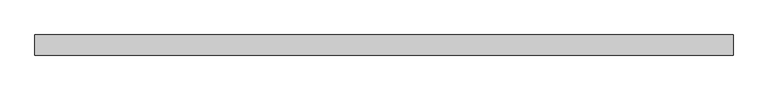
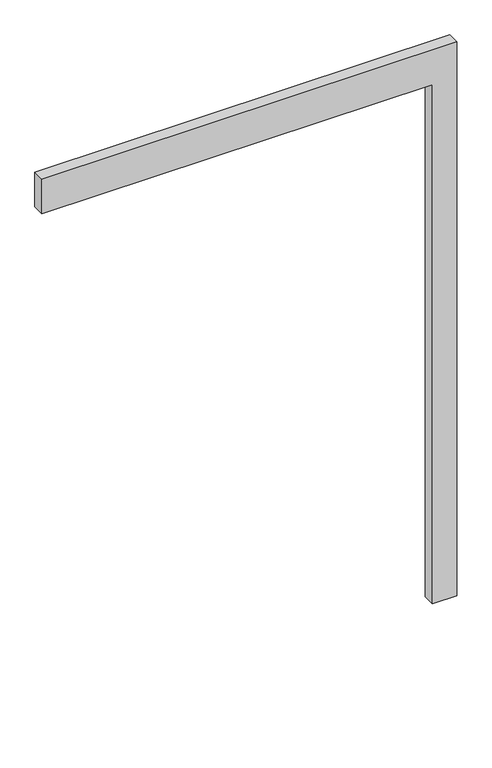
"""IFC4 building model written with IfcOpenShell, lengths in millimetres: proxy geometry."""

import ifcopenshell
import ifcopenshell.guid

model = None  # the IFC model being written
_history = None  # IfcOwnerHistory: only IFC2X3 demands one
_inside = {}  # id of a spatial element -> (the spatial element, [elements in it])
_under = {}  # id of a project, library or spatial element -> (it, [spatial elements below it])
_declared = {}  # id of a project -> (the project, [libraries it declares])
_typed = {}  # id of a type object -> (the type object, [elements of that type])
_made_of = {}  # id of a material, layer set ... -> (it, [elements and type objects made of it])


def new_model(schema):
    """Start an empty IFC model of exactly this schema.

    Asked for "IFC4X3", IfcOpenShell would pick the latest addendum, in which some entities
    have other attributes; the version numbers below select the first issue.
    IFC2X3 requires an IfcOwnerHistory on every rooted entity: one is made here for all.
    """
    global model, _history
    if schema == "IFC4X3":
        model = ifcopenshell.file(schema_version=(4, 3, 0, 0))
    else:
        model = ifcopenshell.file(schema=schema)
    _inside.clear()
    _under.clear()
    _declared.clear()
    _typed.clear()
    _made_of.clear()
    _history = None
    if model.schema == "IFC2X3":
        org = make("IfcOrganization", Name="unknown")
        user = make(
            "IfcPersonAndOrganization",
            ThePerson=make("IfcPerson", FamilyName="unknown"),
            TheOrganization=org,
        )
        app = make(
            "IfcApplication",
            ApplicationDeveloper=org,
            Version="unknown",
            ApplicationFullName="unknown",
            ApplicationIdentifier="unknown",
        )
        _history = make(
            "IfcOwnerHistory",
            OwningUser=user,
            OwningApplication=app,
            ChangeAction="ADDED",
            CreationDate=0,
        )
    return model


def make(cls, **values):
    """One entity of the class cls with the attributes given. An attribute that is None is left unset."""
    return model.create_entity(
        cls, **{name: value for name, value in values.items() if value is not None}
    )


def rooted(cls, **values):
    """An entity with a GlobalId (a new one), such as an element, a storey or a relation."""
    return make(cls, GlobalId=ifcopenshell.guid.new(), OwnerHistory=_history, **values)


def si_unit(unit_type, name, prefix=None):
    """IfcSIUnit, for example si_unit("LENGTHUNIT", "METRE", prefix="MILLI")."""
    return make("IfcSIUnit", UnitType=unit_type, Prefix=prefix, Name=name)


def assignment(units):
    """IfcUnitAssignment: the units of a project."""
    return None if units is None else make("IfcUnitAssignment", Units=units)


def point(xyz):
    """IfcCartesianPoint."""
    return None if xyz is None else make("IfcCartesianPoint", Coordinates=xyz)


def direction(xyz):
    """IfcDirection."""
    return None if xyz is None else make("IfcDirection", DirectionRatios=xyz)


def frame(location, z_axis=None, x_axis=None):
    """IfcAxis2Placement3D, a coordinate frame: its origin and axes. An axis left out is left unset."""
    return make(
        "IfcAxis2Placement3D",
        Location=point(location),
        Axis=direction(z_axis),
        RefDirection=direction(x_axis),
    )


def origin():
    """The frame at (0, 0, 0) with its axes left unset."""
    return frame((0.0, 0.0, 0.0))


def place(relative_to, where):
    """IfcLocalPlacement: puts the frame where relative to a parent placement (None: the world)."""
    return make(
        "IfcLocalPlacement", PlacementRelTo=relative_to, RelativePlacement=where
    )


def context(
    kind, dimensions, precision=None, world=None, true_north=None, identifier=None
):
    """IfcGeometricRepresentationContext, for example the 3D "Model" context."""
    return make(
        "IfcGeometricRepresentationContext",
        ContextIdentifier=identifier,
        ContextType=kind,
        CoordinateSpaceDimension=dimensions,
        Precision=precision,
        WorldCoordinateSystem=world,
        TrueNorth=true_north,
    )


def project(units=None, contexts=None):
    """IfcProject with its units and contexts."""
    return rooted(
        "IfcProject",
        Name="project",
        RepresentationContexts=contexts,
        UnitsInContext=assignment(units),
    )


def spatial(cls, under=None, at=None, **own):
    """A site, building, storey or space (cls), placed at a placement, below another one or the project."""
    s = rooted(cls, ObjectPlacement=at, **own)
    if under is not None:
        _under.setdefault(under.id(), (under, []))[1].append(s)
    return s


def polyline(points):
    """IfcPolyline through the points."""
    return make("IfcPolyline", Points=[point(p) for p in points])


def outline(outer, holes=None, kind="AREA"):
    """IfcArbitraryClosedProfileDef: a profile drawn as a closed curve; with holes, ...WithVoids."""
    if holes is None:
        return make("IfcArbitraryClosedProfileDef", ProfileType=kind, OuterCurve=outer)
    return make(
        "IfcArbitraryProfileDefWithVoids",
        ProfileType=kind,
        OuterCurve=outer,
        InnerCurves=holes,
    )


def extrude(swept, where, along, depth):
    """IfcExtrudedAreaSolid: the profile swept, set in the frame where, extruded along a direction by depth."""
    return make(
        "IfcExtrudedAreaSolid",
        SweptArea=swept,
        Position=where,
        ExtrudedDirection=direction(along),
        Depth=depth,
    )


def shape(context_of_items, identifier, shape_type, items):
    """IfcShapeRepresentation: the items that make up one representation, for example the "Body"."""
    return make(
        "IfcShapeRepresentation",
        ContextOfItems=context_of_items,
        RepresentationIdentifier=identifier,
        RepresentationType=shape_type,
        Items=items,
    )


def source(mapping_origin, context_of_items, identifier, shape_type, items):
    """IfcRepresentationMap: a shape defined once, which mapped items show again and again."""
    return make(
        "IfcRepresentationMap",
        MappingOrigin=mapping_origin,
        MappedRepresentation=shape(context_of_items, identifier, shape_type, items),
    )


def transform(
    local_origin,
    x_axis=None,
    y_axis=None,
    z_axis=None,
    scale=None,
    scale2=None,
    scale3=None,
    uniform=True,
):
    """IfcCartesianTransformationOperator3D, or its non-uniform kind. x_axis, y_axis, z_axis: its Axis1, 2, 3."""
    if uniform:
        return make(
            "IfcCartesianTransformationOperator3D",
            Axis1=direction(x_axis),
            Axis2=direction(y_axis),
            LocalOrigin=point(local_origin),
            Scale=scale,
            Axis3=direction(z_axis),
        )
    return make(
        "IfcCartesianTransformationOperator3DnonUniform",
        Axis1=direction(x_axis),
        Axis2=direction(y_axis),
        LocalOrigin=point(local_origin),
        Scale=scale,
        Axis3=direction(z_axis),
        Scale2=scale2,
        Scale3=scale3,
    )


def mapped(mapping_source, mapping_target):
    """IfcMappedItem: shows the shape of a source again, moved by a transform."""
    return make(
        "IfcMappedItem", MappingSource=mapping_source, MappingTarget=mapping_target
    )


def made_of(thing, what):
    """Note that an element or type object is made of a material, layer set ...; save() writes the relation."""
    if what is not None:
        _made_of.setdefault(what.id(), (what, []))[1].append(thing)
    return thing


def element(
    cls,
    number,
    at=None,
    inside=None,
    cuts=None,
    type_object=None,
    material=None,
    context=None,
    identifier="Body",
    shape_type=None,
    held_by="IfcProductDefinitionShape",
    body=None,
    shapes=None,
    **own,
):
    """One element of the class cls, such as IfcWall. Its Tag is "e" and its number.

    at: its placement. inside: the storey or other place that contains it. cuts: it is an
    opening in that element (IfcRelVoidsElement). A single representation is given by context,
    identifier, shape_type and body (its items); several are given by shapes. held_by: the class
    of the entity that holds the representations. save() writes the other relations.
    """
    e = rooted(cls, Tag="e%d" % number, ObjectPlacement=at, **own)
    if body is not None:
        shapes = [shape(context, identifier, shape_type, body)]
    if shapes is not None:
        e.Representation = make(held_by, Representations=shapes)
    if inside is not None:
        _inside.setdefault(inside.id(), (inside, []))[1].append(e)
    if cuts is not None:
        rooted(
            "IfcRelVoidsElement", RelatingBuildingElement=cuts, RelatedOpeningElement=e
        )
    if type_object is not None:
        _typed.setdefault(type_object.id(), (type_object, []))[1].append(e)
    return made_of(e, material)


def aggregate(whole, parts):
    """IfcRelAggregates: a whole, such as a stair, and the parts it consists of."""
    return rooted("IfcRelAggregates", RelatingObject=whole, RelatedObjects=parts)


def save(model, path):
    """Write the relations noted so far, then the file.

    IfcRelAggregates (storeys below a building ...), IfcRelContainedInSpatialStructure (elements
    in a storey), IfcRelDefinesByType, IfcRelAssociatesMaterial and IfcRelDeclares: one each for
    every whole, place, type object, material and project.
    """
    for whole, parts in _under.values():
        aggregate(whole, parts)
    for where, things in _inside.values():
        rooted(
            "IfcRelContainedInSpatialStructure",
            RelatedElements=things,
            RelatingStructure=where,
        )
    for kind, things in _typed.values():
        rooted("IfcRelDefinesByType", RelatedObjects=things, RelatingType=kind)
    for what, things in _made_of.values():
        rooted("IfcRelAssociatesMaterial", RelatedObjects=things, RelatingMaterial=what)
    for by, libraries in _declared.values():
        rooted("IfcRelDeclares", RelatingContext=by, RelatedDefinitions=libraries)
    model.write(path)


def generic_models_b06fa196(model_context):
    return source(origin(), model_context, "Body", "SweptSolid", [
        extrude(outline(polyline([(2250.0, -1600.0), (2250.0, 0.0), (0.0, 0.0), (0.0, 100.0), (2400.0, 100.0), (2400.0, -1600.0), (2250.0, -1600.0)])), frame((0.0, -50.0, 0.0), z_axis=(0.0, 1.0, 0.0), x_axis=(0.0, 0.0, 1.0)), (0.0, 0.0, 1.0), 50.0),
    ])


if __name__ == "__main__":
    model = new_model("IFC4")
    model_context = context("Model", 3, world=origin())
    ifc_project = project(units=[si_unit("LENGTHUNIT", "METRE", prefix="MILLI")], contexts=[model_context])
    site = spatial("IfcSite", under=ifc_project)
    building = spatial("IfcBuilding", under=site)
    placement = place(None, origin())
    generic_models_shape = generic_models_b06fa196(model_context)
    element("IfcBuildingElementProxy", 1, Name="Generic Models", at=placement, inside=building, context=model_context, shape_type="MappedRepresentation", body=[
        mapped(generic_models_shape, transform((0.0, 0.0, 0.0), x_axis=(1.0, 0.0, 0.0), y_axis=(0.0, 1.0, 0.0), z_axis=(0.0, 0.0, 1.0))),
    ])
    save(model, "model.ifc")
